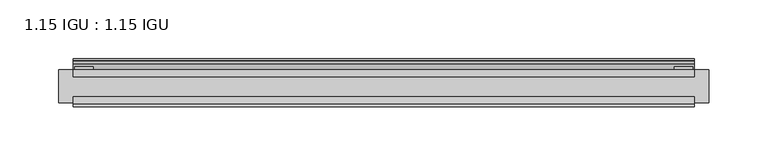
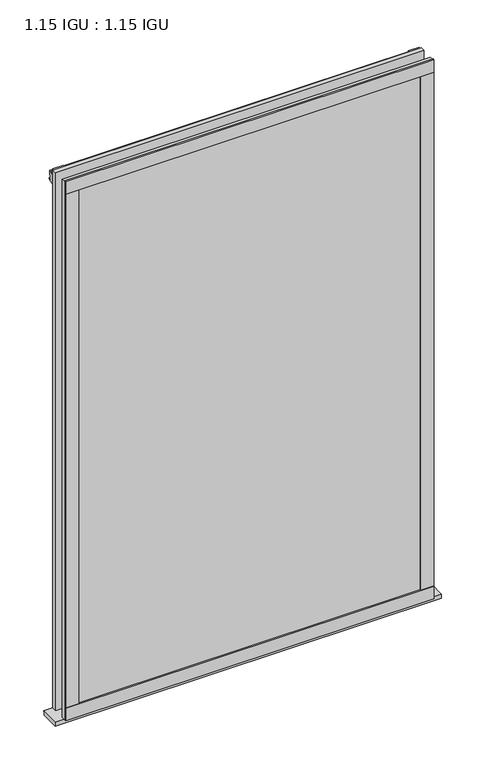
"""IFC4 building model written with IfcOpenShell, lengths in millimetres: plate geometry, 1.15 IGU : 1.15 IGU."""

from ifc_helpers import new_model, si_unit, point, frame, frame_2d, origin, place, context, project, spatial, polyline, circle_curve, trimmed, segment, composite_curve, outline, extrude, source, transform, mapped, element, save


def plate_1_15_igu_1_15_igu_a45bf970(model_context):
    return source(origin(), model_context, "Body", "SweptSolid", [
        extrude(outline(polyline([(265.11885, 0.0), (265.11885, -6.2992), (-265.11885, -6.2992), (-265.11885, 0.0), (265.11885, 0.0)])), frame((0.0, 0.0, -19.05), z_axis=(0.0, 0.0, 1.0), x_axis=(1.0, 0.0, 0.0)), (0.0, 0.0, 1.0), 817.5498001),
        extrude(outline(polyline([(-265.11885, -23.1648), (265.11885, -23.1648), (265.11885, -29.464), (-265.11885, -29.464), (-265.11885, -23.1648)])), frame((0.0, 0.0, -19.05), z_axis=(0.0, 0.0, 1.0), x_axis=(1.0, 0.0, 0.0)), (0.0, 0.0, 1.0), 817.5498001),
        extrude(outline(composite_curve([segment(trimmed(circle_curve(frame_2d((10.9021792, -22.6833935)), 11.4916952), [point((0.0, -19.05))], [point((-0.2638007, -25.4))], True, "CARTESIAN"), True, "CONTINUOUS"), segment(polyline([(-0.2638007, -25.4), (-27.9952564, -25.4), (-27.9952564, -19.05), (0.0, -19.05)]), True, "CONTINUOUS")], self_intersect=False)), frame((-277.81885, 0.0, 0.0), z_axis=(1.0, 0.0, 0.0), x_axis=(0.0, 1.0, 0.0)), (0.0, 0.0, 1.0), 555.6377),
        extrude(outline(polyline([(-265.11885, -31.75), (-265.11885, -29.464), (265.11885, -29.464), (265.11885, -31.75), (-265.11885, -31.75)])), frame((0.0, 0.0, -19.05), z_axis=(0.0, 0.0, 1.0), x_axis=(1.0, 0.0, 0.0)), (0.0, 0.0, 1.0), 19.05),
        extrude(outline(composite_curve([segment(trimmed(circle_curve(frame_2d((-23.3689302, 822.6664901)), 40.3187601), [point((0.0, 789.8108131))], [point((4.9746073, 793.9916528))], True, "CARTESIAN"), True, "CONTINUOUS"), segment(trimmed(circle_curve(frame_2d((5.8674, 793.0884246)), 1.27), [point((4.9746073, 793.9916528))], [point((7.1374, 793.0884246))], False, "CARTESIAN"), True, "CONTINUOUS"), segment(polyline([(7.1374, 793.0884246), (7.1374, 788.6876169), (7.7309478, 786.4724663), (6.35, 786.2379789), (6.35, 781.0500001), (9.3980339, 781.0500001), (9.3980339, 779.6684051)]), True, "CONTINUOUS"), segment(trimmed(circle_curve(frame_2d((13.6593785, 748.6551528)), 31.3046461), [point((9.3980339, 779.6684051))], [point((0.0, 776.8225498))], True, "CARTESIAN"), True, "CONTINUOUS"), segment(polyline([(0.0, 776.8225498), (0.0, 789.8108131)]), True, "CONTINUOUS")], self_intersect=False)), frame((-265.11885, 0.0, 0.0), z_axis=(1.0, 0.0, 0.0), x_axis=(0.0, 1.0, 0.0)), (0.0, 0.0, 1.0), 530.2377),
        extrude(outline(polyline([(-265.11885, -31.75), (-265.11885, -29.464), (265.11885, -29.464), (265.11885, -31.75), (-265.11885, -31.75)])), frame((0.0, 0.0, 781.0500001), z_axis=(0.0, 0.0, 1.0), x_axis=(1.0, 0.0, 0.0)), (0.0, 0.0, 1.0), 19.05),
        extrude(outline(polyline([(246.06885, -29.464), (265.11885, -29.464), (265.11885, -31.75), (246.06885, -31.75), (246.06885, -29.464)])), frame((0.0, 0.0, -19.05), z_axis=(0.0, 0.0, 1.0), x_axis=(1.0, 0.0, 0.0)), (0.0, 0.0, 1.0), 817.5498001),
        extrude(outline(polyline([(263.91235, 2.2860088), (263.91235, 0.0021347), (248.03735, 0.0021347), (248.03735, 2.2860088), (263.91235, 2.2860088)])), frame((0.0, 0.0, -19.05), z_axis=(0.0, 0.0, 1.0), x_axis=(1.0, 0.0, 0.0)), (0.0, 0.0, 1.0), 817.5498001),
        extrude(outline(polyline([(-265.11885, -31.75), (-265.11885, -29.464), (-246.06885, -29.464), (-246.06885, -31.75), (-265.11885, -31.75)])), frame((0.0, 0.0, -19.05), z_axis=(0.0, 0.0, 1.0), x_axis=(1.0, 0.0, 0.0)), (0.0, 0.0, 1.0), 817.5498001),
        extrude(outline(polyline([(-263.91235, 0.0), (-263.91235, 2.286), (-248.03735, 2.286), (-248.03735, 0.0), (-263.91235, 0.0)])), frame((0.0, 0.0, -19.05), z_axis=(0.0, 0.0, 1.0), x_axis=(1.0, 0.0, 0.0)), (0.0, 0.0, 1.0), 817.5498001),
    ])


if __name__ == "__main__":
    model = new_model("IFC4")
    model_context = context("Model", 3, world=origin())
    ifc_project = project(units=[si_unit("LENGTHUNIT", "METRE", prefix="MILLI")], contexts=[model_context])
    site = spatial("IfcSite", under=ifc_project)
    building = spatial("IfcBuilding", under=site)
    placement = place(None, origin())
    plate_1_15_igu_1_15_igu_shape = plate_1_15_igu_1_15_igu_a45bf970(model_context)
    element("IfcPlate", 1, ObjectType="1.15 IGU : 1.15 IGU", at=placement, inside=building, context=model_context, shape_type="MappedRepresentation", body=[
        mapped(plate_1_15_igu_1_15_igu_shape, transform((0.0, 0.0, 0.0), x_axis=(1.0, 0.0, 0.0), y_axis=(0.0, 1.0, 0.0), z_axis=(0.0, 0.0, 1.0))),
    ])
    save(model, "model.ifc")
